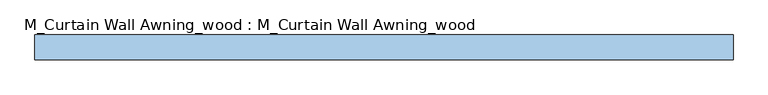
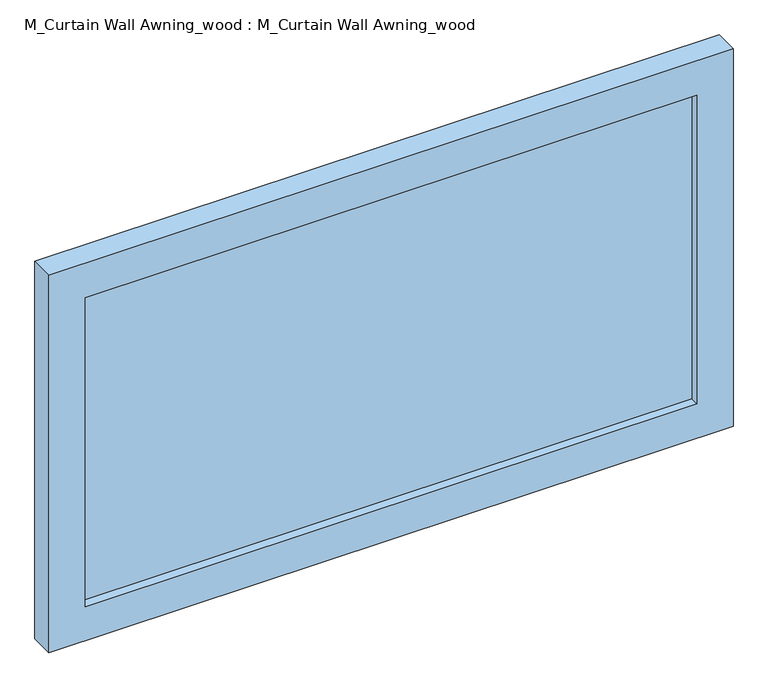
"""IFC4 building model written with IfcOpenShell, lengths in millimetres: window geometry, M_Curtain Wall Awning_wood : M_Curtain Wall Awning_wood."""

from ifc_helpers import new_model, si_unit, frame, origin, place, context, project, spatial, polyline, outline, extrude, source, transform, mapped, element, save


def m_curtain_wall_awning_wood_m_curtain_wall_awning_wood_9bb4d5f3(model_context):
    return source(origin(), model_context, "Body", "SweptSolid", [
        extrude(outline(polyline([(632.5, -44.05), (632.5, -56.75), (-632.5, -56.75), (-632.5, -44.05), (632.5, -44.05)])), frame((0.0, 0.0, 75.0), z_axis=(0.0, 0.0, 1.0), x_axis=(1.0, 0.0, 0.0)), (0.0, 0.0, 1.0), 675.276156),
        extrude(outline(polyline([(825.276156, -707.5), (0.0, -707.5), (0.0, 707.5), (825.276156, 707.5), (825.276156, -707.5)]), holes=[polyline([(750.276156, -632.5), (750.276156, 632.5), (75.0, 632.5), (75.0, -632.5), (750.276156, -632.5)])]), frame((0.0, -75.0, 0.0), z_axis=(0.0, 1.0, 0.0), x_axis=(0.0, 0.0, 1.0)), (0.0, 0.0, 1.0), 50.0),
    ])


if __name__ == "__main__":
    model = new_model("IFC4")
    model_context = context("Model", 3, world=origin())
    ifc_project = project(units=[si_unit("LENGTHUNIT", "METRE", prefix="MILLI")], contexts=[model_context])
    site = spatial("IfcSite", under=ifc_project)
    building = spatial("IfcBuilding", under=site)
    placement = place(None, origin())
    m_curtain_wall_awning_wood_m_curtain_wall_awning_wood_shape = m_curtain_wall_awning_wood_m_curtain_wall_awning_wood_9bb4d5f3(model_context)
    element("IfcWindow", 1, ObjectType="M_Curtain Wall Awning_wood : M_Curtain Wall Awning_wood", at=placement, inside=building, context=model_context, shape_type="MappedRepresentation", body=[
        mapped(m_curtain_wall_awning_wood_m_curtain_wall_awning_wood_shape, transform((0.0, 0.0, 0.0), x_axis=(1.0, 0.0, 0.0), y_axis=(0.0, 1.0, 0.0), z_axis=(0.0, 0.0, 1.0))),
    ])
    save(model, "model.ifc")
